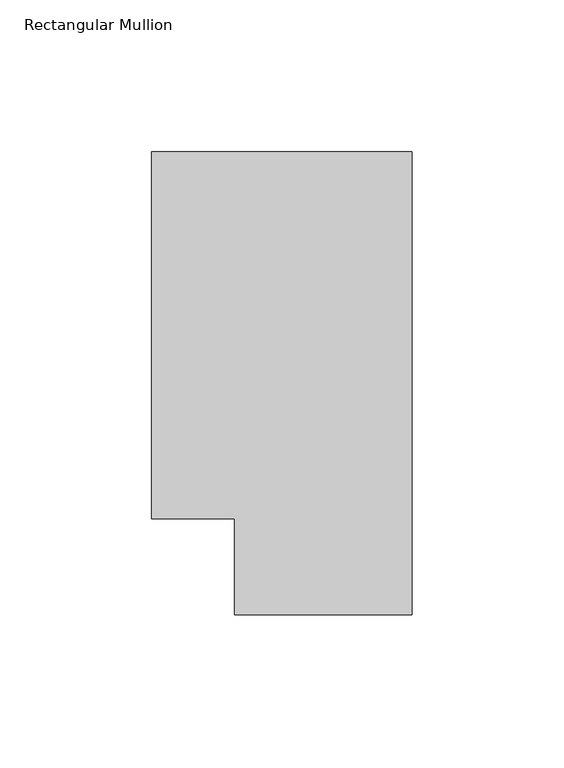
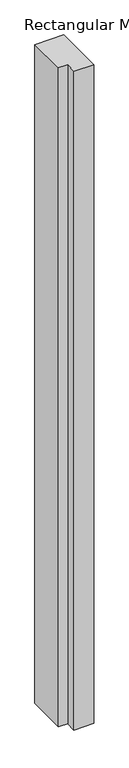
"""IFC4 building model written with IfcOpenShell, lengths in millimetres: member geometry, Rectangular Mullion."""

from ifc_helpers import new_model, si_unit, frame, origin, place, context, project, spatial, polyline, outline, extrude, source, transform, mapped, element, save


def rectangular_mullion_c13ef7ad(model_context):
    return source(origin(), model_context, "Body", "SweptSolid", [
        extrude(outline(polyline([(0.0, 152.4), (0.0, 0.0), (-58.4073, 0.0), (-58.4073, 31.75), (-85.7123, 31.75), (-85.7123, 152.4), (0.0, 152.4)])), frame((0.0, 0.0, -2057.4000001), z_axis=(0.0, 0.0, 1.0), x_axis=(1.0, 0.0, 0.0)), (0.0, 0.0, 1.0), 2057.4000001),
    ])


if __name__ == "__main__":
    model = new_model("IFC4")
    model_context = context("Model", 3, world=origin())
    ifc_project = project(units=[si_unit("LENGTHUNIT", "METRE", prefix="MILLI")], contexts=[model_context])
    site = spatial("IfcSite", under=ifc_project)
    building = spatial("IfcBuilding", under=site)
    placement = place(None, origin())
    rectangular_mullion_shape = rectangular_mullion_c13ef7ad(model_context)
    element("IfcMember", 1, ObjectType="Rectangular Mullion", at=placement, inside=building, context=model_context, shape_type="MappedRepresentation", body=[
        mapped(rectangular_mullion_shape, transform((0.0, 0.0, 0.0), x_axis=(1.0, 0.0, 0.0), y_axis=(0.0, 1.0, 0.0), z_axis=(0.0, 0.0, 1.0))),
    ])
    save(model, "model.ifc")
